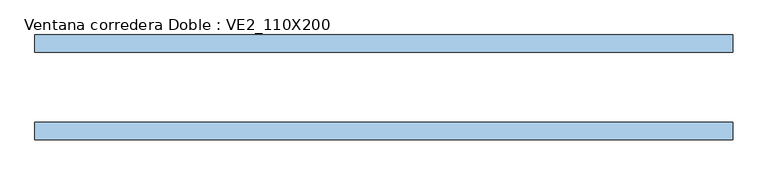
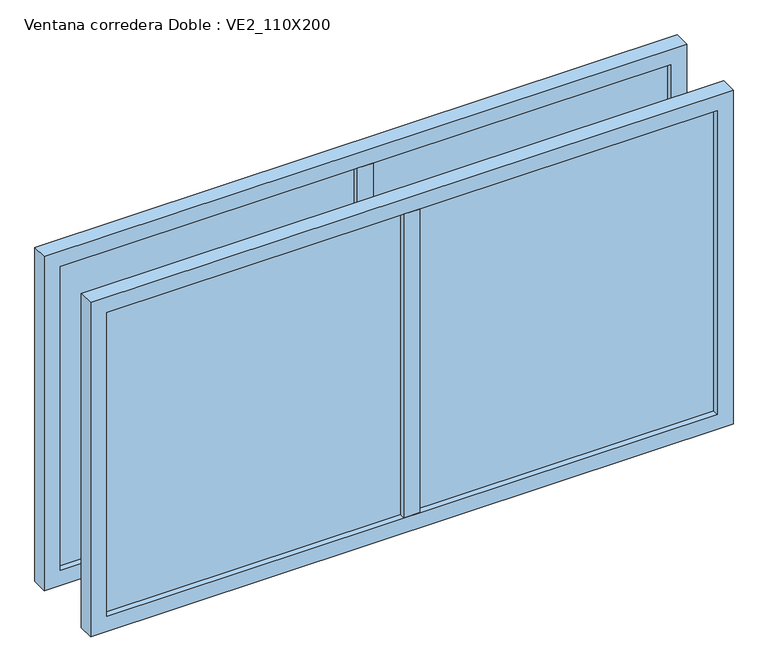
"""IFC4 building model written with IfcOpenShell, lengths in millimetres: window geometry, Ventana corredera Doble : VE2_110X200."""

from ifc_helpers import new_model, si_unit, frame, origin, place, context, project, spatial, polyline, outline, extrude, source, transform, mapped, element, save


def ventana_corredera_doble_ve2_110x200_a49a6f49(model_context):
    return source(origin(), model_context, "Body", "SweptSolid", [
        extrude(outline(polyline([(-25.0, 150.0), (25.0, 150.0), (25.0, 100.0), (-25.0, 100.0), (-25.0, 150.0)])), frame((0.0, 0.0, 850.0), z_axis=(0.0, 0.0, 1.0), x_axis=(1.0, 0.0, 0.0)), (0.0, 0.0, 1.0), 1000.0),
        extrude(outline(polyline([(950.0, 131.5), (950.0, 118.5), (-950.0, 118.5), (-950.0, 131.5), (950.0, 131.5)])), frame((0.0, 0.0, 850.0), z_axis=(0.0, 0.0, 1.0), x_axis=(1.0, 0.0, 0.0)), (0.0, 0.0, 1.0), 1000.0),
        extrude(outline(polyline([(1900.0, 1000.0), (1900.0, -1000.0), (800.0, -1000.0), (800.0, 1000.0), (1900.0, 1000.0)]), holes=[polyline([(850.0, 950.0), (850.0, -950.0), (1850.0, -950.0), (1850.0, 950.0), (850.0, 950.0)])]), frame((0.0, 100.0, 0.0), z_axis=(0.0, 1.0, 0.0), x_axis=(0.0, 0.0, 1.0)), (0.0, 0.0, 1.0), 50.0),
        extrude(outline(polyline([(-25.0, -150.0), (-25.0, -100.0), (25.0, -100.0), (25.0, -150.0), (-25.0, -150.0)])), frame((0.0, 0.0, 850.0), z_axis=(0.0, 0.0, 1.0), x_axis=(1.0, 0.0, 0.0)), (0.0, 0.0, 1.0), 1000.0),
        extrude(outline(polyline([(950.0, -131.5), (-950.0, -131.5), (-950.0, -118.5), (950.0, -118.5), (950.0, -131.5)])), frame((0.0, 0.0, 850.0), z_axis=(0.0, 0.0, 1.0), x_axis=(1.0, 0.0, 0.0)), (0.0, 0.0, 1.0), 1000.0),
        extrude(outline(polyline([(800.0, 1000.0), (1900.0, 1000.0), (1900.0, -1000.0), (800.0, -1000.0), (800.0, 1000.0)]), holes=[polyline([(1850.0, 950.0), (850.0, 950.0), (850.0, -950.0), (1850.0, -950.0), (1850.0, 950.0)])]), frame((0.0, -150.0, 0.0), z_axis=(0.0, 1.0, 0.0), x_axis=(0.0, 0.0, 1.0)), (0.0, 0.0, 1.0), 50.0),
    ])


if __name__ == "__main__":
    model = new_model("IFC4")
    model_context = context("Model", 3, world=origin())
    ifc_project = project(units=[si_unit("LENGTHUNIT", "METRE", prefix="MILLI")], contexts=[model_context])
    site = spatial("IfcSite", under=ifc_project)
    building = spatial("IfcBuilding", under=site)
    placement = place(None, origin())
    ventana_corredera_doble_ve2_110x200_shape = ventana_corredera_doble_ve2_110x200_a49a6f49(model_context)
    element("IfcWindow", 1, ObjectType="Ventana corredera Doble : VE2_110X200", at=placement, inside=building, context=model_context, shape_type="MappedRepresentation", body=[
        mapped(ventana_corredera_doble_ve2_110x200_shape, transform((0.0, 0.0, 0.0), x_axis=(1.0, 0.0, 0.0), y_axis=(0.0, 1.0, 0.0), z_axis=(0.0, 0.0, 1.0))),
    ])
    save(model, "model.ifc")
